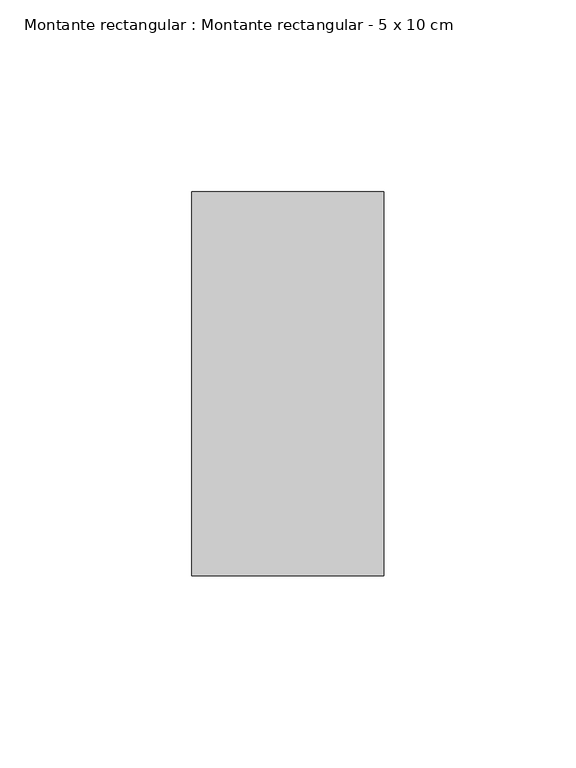
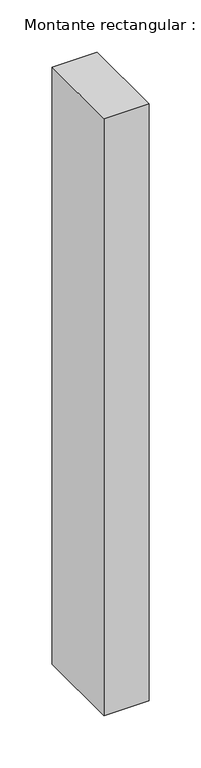
"""IFC4 building model written with IfcOpenShell, lengths in millimetres: member geometry, Montante rectangular : Montante rectangular - 5 x 10 cm."""

from ifc_helpers import new_model, si_unit, frame, origin, place, context, project, spatial, polyline, outline, extrude, source, transform, mapped, element, save


def montante_rectangular_montante_rectangular_5_x_10_cm_a9b3deda(model_context):
    return source(origin(), model_context, "Body", "SweptSolid", [
        extrude(outline(polyline([(25.0, 50.0), (25.0, -50.0), (-25.0, -50.0), (-25.0, 50.0), (25.0, 50.0)])), frame((0.0, 0.0, -700.0), z_axis=(0.0, 0.0, 1.0), x_axis=(1.0, 0.0, 0.0)), (0.0, 0.0, 1.0), 700.0),
    ])


if __name__ == "__main__":
    model = new_model("IFC4")
    model_context = context("Model", 3, world=origin())
    ifc_project = project(units=[si_unit("LENGTHUNIT", "METRE", prefix="MILLI")], contexts=[model_context])
    site = spatial("IfcSite", under=ifc_project)
    building = spatial("IfcBuilding", under=site)
    placement = place(None, origin())
    montante_rectangular_montante_rectangular_5_x_10_cm_shape = montante_rectangular_montante_rectangular_5_x_10_cm_a9b3deda(model_context)
    element("IfcMember", 1, ObjectType="Montante rectangular : Montante rectangular - 5 x 10 cm", at=placement, inside=building, context=model_context, shape_type="MappedRepresentation", body=[
        mapped(montante_rectangular_montante_rectangular_5_x_10_cm_shape, transform((0.0, 0.0, 0.0), x_axis=(1.0, 0.0, 0.0), y_axis=(0.0, 1.0, 0.0), z_axis=(0.0, 0.0, 1.0))),
    ])
    save(model, "model.ifc")
